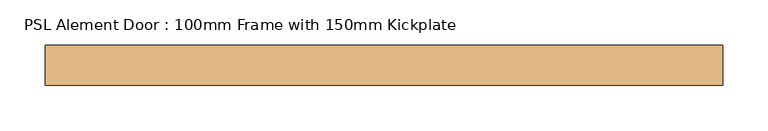
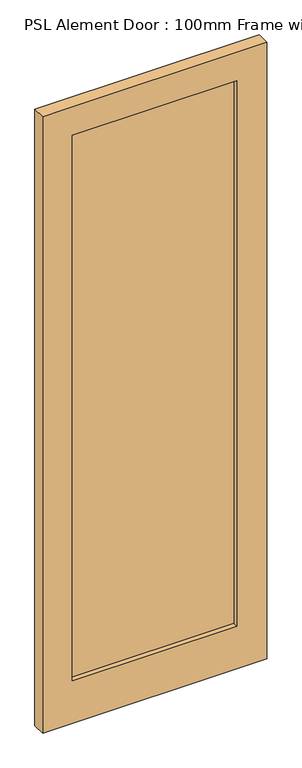
"""IFC4 building model written with IfcOpenShell, lengths in millimetres: door geometry, PSL Alement Door : 100mm Frame with 150mm Kickplate."""

from ifc_helpers import new_model, si_unit, frame, origin, place, context, project, spatial, polyline, outline, extrude, source, transform, mapped, element, save


def psl_alement_door_100mm_frame_with_150mm_kickplate_c4536357(model_context):
    return source(origin(), model_context, "Body", "SweptSolid", [
        extrude(outline(polyline([(274.0, -6.0), (-274.0, -6.0), (-274.0, 6.0), (274.0, 6.0), (274.0, -6.0)])), frame((0.0, 0.0, 150.0), z_axis=(0.0, 0.0, 1.0), x_axis=(1.0, 0.0, 0.0)), (0.0, 0.0, 1.0), 1924.0),
        extrude(outline(polyline([(0.0, -374.0), (0.0, 374.0), (2174.0, 374.0), (2174.0, -374.0), (0.0, -374.0)]), holes=[polyline([(2074.0, 274.0), (150.0, 274.0), (150.0, -274.0), (2074.0, -274.0), (2074.0, 274.0)])]), frame((0.0, -22.0, 0.0), z_axis=(0.0, 1.0, 0.0), x_axis=(0.0, 0.0, 1.0)), (0.0, 0.0, 1.0), 44.0),
    ])


if __name__ == "__main__":
    model = new_model("IFC4")
    model_context = context("Model", 3, world=origin())
    ifc_project = project(units=[si_unit("LENGTHUNIT", "METRE", prefix="MILLI")], contexts=[model_context])
    site = spatial("IfcSite", under=ifc_project)
    building = spatial("IfcBuilding", under=site)
    placement = place(None, origin())
    psl_alement_door_100mm_frame_with_150mm_kickplate_shape = psl_alement_door_100mm_frame_with_150mm_kickplate_c4536357(model_context)
    element("IfcDoor", 1, ObjectType="PSL Alement Door : 100mm Frame with 150mm Kickplate", at=placement, inside=building, context=model_context, shape_type="MappedRepresentation", body=[
        mapped(psl_alement_door_100mm_frame_with_150mm_kickplate_shape, transform((0.0, 0.0, 0.0), x_axis=(1.0, 0.0, 0.0), y_axis=(0.0, 1.0, 0.0), z_axis=(0.0, 0.0, 1.0))),
    ])
    save(model, "model.ifc")
